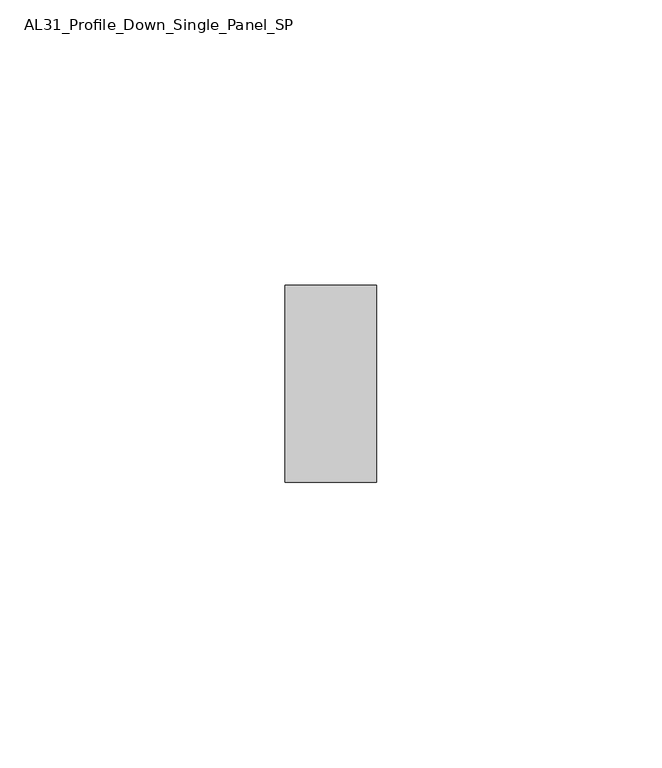
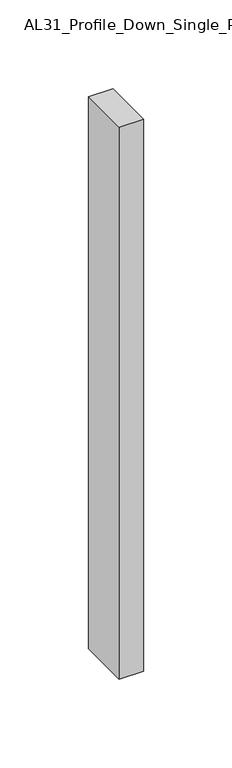
"""IFC4 building model written with IfcOpenShell, lengths in millimetres: member geometry, AL31_Profile_Down_Single_Panel_SP."""

from ifc_helpers import new_model, si_unit, frame, origin, place, context, project, spatial, polyline, outline, extrude, source, transform, mapped, element, save


def al31_profile_down_single_panel_sp_90a1cdb2(model_context):
    return source(origin(), model_context, "Body", "SweptSolid", [
        extrude(outline(polyline([(0.0, -17.25), (-16.0, -17.25), (-16.0, 17.25), (0.0, 17.25), (0.0, -17.25)])), frame((0.0, 0.0, -380.2443563), z_axis=(0.0, 0.0, 1.0), x_axis=(1.0, 0.0, 0.0)), (0.0, 0.0, 1.0), 380.2443563),
    ])


if __name__ == "__main__":
    model = new_model("IFC4")
    model_context = context("Model", 3, world=origin())
    ifc_project = project(units=[si_unit("LENGTHUNIT", "METRE", prefix="MILLI")], contexts=[model_context])
    site = spatial("IfcSite", under=ifc_project)
    building = spatial("IfcBuilding", under=site)
    placement = place(None, origin())
    al31_profile_down_single_panel_sp_shape = al31_profile_down_single_panel_sp_90a1cdb2(model_context)
    element("IfcMember", 1, ObjectType="AL31_Profile_Down_Single_Panel_SP", at=placement, inside=building, context=model_context, shape_type="MappedRepresentation", body=[
        mapped(al31_profile_down_single_panel_sp_shape, transform((0.0, 0.0, 0.0), x_axis=(1.0, 0.0, 0.0), y_axis=(0.0, 1.0, 0.0), z_axis=(0.0, 0.0, 1.0))),
    ])
    save(model, "model.ifc")
